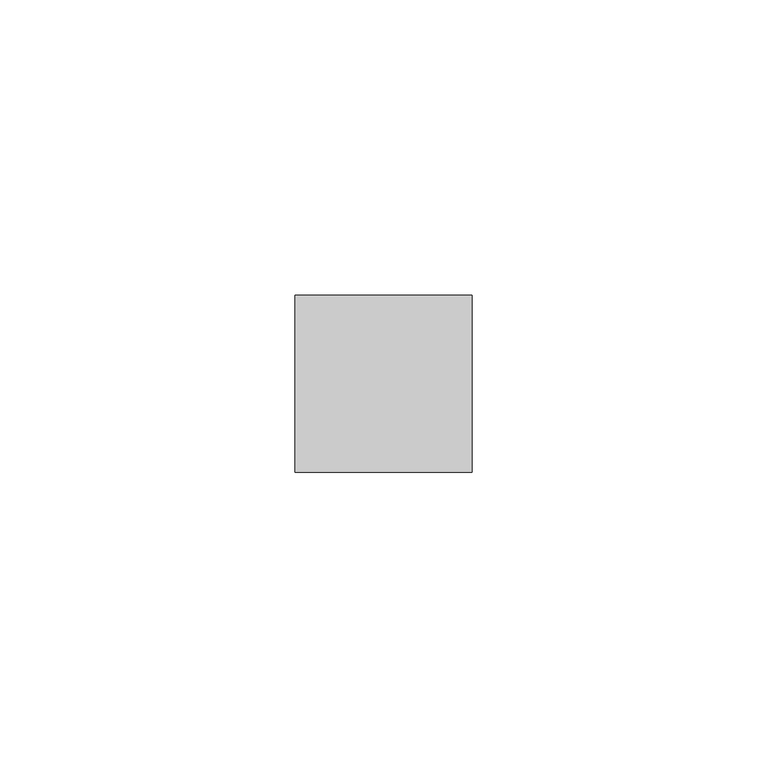
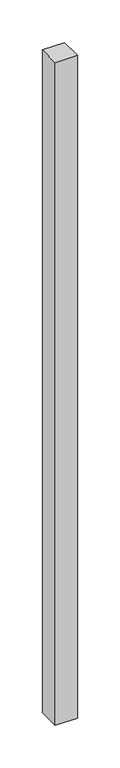
"""IFC4 building model written with IfcOpenShell, lengths in millimetres: member geometry."""

from ifc_helpers import new_model, si_unit, frame, origin, place, context, project, spatial, polyline, outline, extrude, source, transform, mapped, element, save


def member_13aa72e9(model_context):
    return source(origin(), model_context, "Body", "SweptSolid", [
        extrude(outline(polyline([(15.0, 15.0), (15.0, -15.0), (-15.0, -15.0), (-15.0, 15.0), (15.0, 15.0)])), frame((0.0, 0.0, -949.1666667), z_axis=(0.0, 0.0, 1.0), x_axis=(1.0, 0.0, 0.0)), (0.0, 0.0, 1.0), 949.1666667),
    ])


if __name__ == "__main__":
    model = new_model("IFC4")
    model_context = context("Model", 3, world=origin())
    ifc_project = project(units=[si_unit("LENGTHUNIT", "METRE", prefix="MILLI")], contexts=[model_context])
    site = spatial("IfcSite", under=ifc_project)
    building = spatial("IfcBuilding", under=site)
    placement = place(None, origin())
    member_shape = member_13aa72e9(model_context)
    element("IfcMember", 1, at=placement, inside=building, context=model_context, shape_type="MappedRepresentation", body=[
        mapped(member_shape, transform((0.0, 0.0, 0.0), x_axis=(1.0, 0.0, 0.0), y_axis=(0.0, 1.0, 0.0), z_axis=(0.0, 0.0, 1.0))),
    ])
    save(model, "model.ifc")
